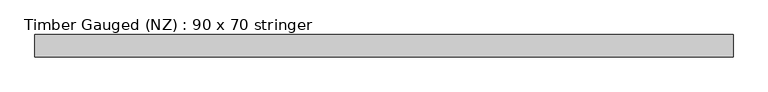
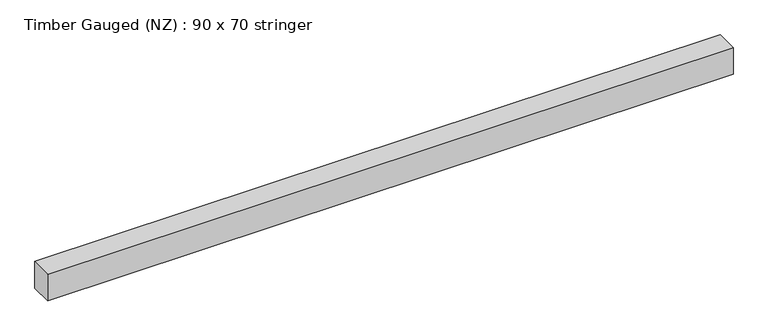
"""IFC4 building model written with IfcOpenShell, lengths in millimetres: beam geometry, Timber Gauged (NZ) : 90 x 70 stringer."""

import ifcopenshell
import ifcopenshell.guid

model = None  # the IFC model being written
_history = None  # IfcOwnerHistory: only IFC2X3 demands one
_inside = {}  # id of a spatial element -> (the spatial element, [elements in it])
_under = {}  # id of a project, library or spatial element -> (it, [spatial elements below it])
_declared = {}  # id of a project -> (the project, [libraries it declares])
_typed = {}  # id of a type object -> (the type object, [elements of that type])
_made_of = {}  # id of a material, layer set ... -> (it, [elements and type objects made of it])


def new_model(schema):
    """Start an empty IFC model of exactly this schema.

    Asked for "IFC4X3", IfcOpenShell would pick the latest addendum, in which some entities
    have other attributes; the version numbers below select the first issue.
    IFC2X3 requires an IfcOwnerHistory on every rooted entity: one is made here for all.
    """
    global model, _history
    if schema == "IFC4X3":
        model = ifcopenshell.file(schema_version=(4, 3, 0, 0))
    else:
        model = ifcopenshell.file(schema=schema)
    _inside.clear()
    _under.clear()
    _declared.clear()
    _typed.clear()
    _made_of.clear()
    _history = None
    if model.schema == "IFC2X3":
        org = make("IfcOrganization", Name="unknown")
        user = make(
            "IfcPersonAndOrganization",
            ThePerson=make("IfcPerson", FamilyName="unknown"),
            TheOrganization=org,
        )
        app = make(
            "IfcApplication",
            ApplicationDeveloper=org,
            Version="unknown",
            ApplicationFullName="unknown",
            ApplicationIdentifier="unknown",
        )
        _history = make(
            "IfcOwnerHistory",
            OwningUser=user,
            OwningApplication=app,
            ChangeAction="ADDED",
            CreationDate=0,
        )
    return model


def make(cls, **values):
    """One entity of the class cls with the attributes given. An attribute that is None is left unset."""
    return model.create_entity(
        cls, **{name: value for name, value in values.items() if value is not None}
    )


def rooted(cls, **values):
    """An entity with a GlobalId (a new one), such as an element, a storey or a relation."""
    return make(cls, GlobalId=ifcopenshell.guid.new(), OwnerHistory=_history, **values)


def si_unit(unit_type, name, prefix=None):
    """IfcSIUnit, for example si_unit("LENGTHUNIT", "METRE", prefix="MILLI")."""
    return make("IfcSIUnit", UnitType=unit_type, Prefix=prefix, Name=name)


def assignment(units):
    """IfcUnitAssignment: the units of a project."""
    return None if units is None else make("IfcUnitAssignment", Units=units)


def point(xyz):
    """IfcCartesianPoint."""
    return None if xyz is None else make("IfcCartesianPoint", Coordinates=xyz)


def direction(xyz):
    """IfcDirection."""
    return None if xyz is None else make("IfcDirection", DirectionRatios=xyz)


def frame(location, z_axis=None, x_axis=None):
    """IfcAxis2Placement3D, a coordinate frame: its origin and axes. An axis left out is left unset."""
    return make(
        "IfcAxis2Placement3D",
        Location=point(location),
        Axis=direction(z_axis),
        RefDirection=direction(x_axis),
    )


def origin():
    """The frame at (0, 0, 0) with its axes left unset."""
    return frame((0.0, 0.0, 0.0))


def place(relative_to, where):
    """IfcLocalPlacement: puts the frame where relative to a parent placement (None: the world)."""
    return make(
        "IfcLocalPlacement", PlacementRelTo=relative_to, RelativePlacement=where
    )


def context(
    kind, dimensions, precision=None, world=None, true_north=None, identifier=None
):
    """IfcGeometricRepresentationContext, for example the 3D "Model" context."""
    return make(
        "IfcGeometricRepresentationContext",
        ContextIdentifier=identifier,
        ContextType=kind,
        CoordinateSpaceDimension=dimensions,
        Precision=precision,
        WorldCoordinateSystem=world,
        TrueNorth=true_north,
    )


def project(units=None, contexts=None):
    """IfcProject with its units and contexts."""
    return rooted(
        "IfcProject",
        Name="project",
        RepresentationContexts=contexts,
        UnitsInContext=assignment(units),
    )


def spatial(cls, under=None, at=None, **own):
    """A site, building, storey or space (cls), placed at a placement, below another one or the project."""
    s = rooted(cls, ObjectPlacement=at, **own)
    if under is not None:
        _under.setdefault(under.id(), (under, []))[1].append(s)
    return s


def polyline(points):
    """IfcPolyline through the points."""
    return make("IfcPolyline", Points=[point(p) for p in points])


def outline(outer, holes=None, kind="AREA"):
    """IfcArbitraryClosedProfileDef: a profile drawn as a closed curve; with holes, ...WithVoids."""
    if holes is None:
        return make("IfcArbitraryClosedProfileDef", ProfileType=kind, OuterCurve=outer)
    return make(
        "IfcArbitraryProfileDefWithVoids",
        ProfileType=kind,
        OuterCurve=outer,
        InnerCurves=holes,
    )


def extrude(swept, where, along, depth):
    """IfcExtrudedAreaSolid: the profile swept, set in the frame where, extruded along a direction by depth."""
    return make(
        "IfcExtrudedAreaSolid",
        SweptArea=swept,
        Position=where,
        ExtrudedDirection=direction(along),
        Depth=depth,
    )


def shape(context_of_items, identifier, shape_type, items):
    """IfcShapeRepresentation: the items that make up one representation, for example the "Body"."""
    return make(
        "IfcShapeRepresentation",
        ContextOfItems=context_of_items,
        RepresentationIdentifier=identifier,
        RepresentationType=shape_type,
        Items=items,
    )


def source(mapping_origin, context_of_items, identifier, shape_type, items):
    """IfcRepresentationMap: a shape defined once, which mapped items show again and again."""
    return make(
        "IfcRepresentationMap",
        MappingOrigin=mapping_origin,
        MappedRepresentation=shape(context_of_items, identifier, shape_type, items),
    )


def transform(
    local_origin,
    x_axis=None,
    y_axis=None,
    z_axis=None,
    scale=None,
    scale2=None,
    scale3=None,
    uniform=True,
):
    """IfcCartesianTransformationOperator3D, or its non-uniform kind. x_axis, y_axis, z_axis: its Axis1, 2, 3."""
    if uniform:
        return make(
            "IfcCartesianTransformationOperator3D",
            Axis1=direction(x_axis),
            Axis2=direction(y_axis),
            LocalOrigin=point(local_origin),
            Scale=scale,
            Axis3=direction(z_axis),
        )
    return make(
        "IfcCartesianTransformationOperator3DnonUniform",
        Axis1=direction(x_axis),
        Axis2=direction(y_axis),
        LocalOrigin=point(local_origin),
        Scale=scale,
        Axis3=direction(z_axis),
        Scale2=scale2,
        Scale3=scale3,
    )


def mapped(mapping_source, mapping_target):
    """IfcMappedItem: shows the shape of a source again, moved by a transform."""
    return make(
        "IfcMappedItem", MappingSource=mapping_source, MappingTarget=mapping_target
    )


def made_of(thing, what):
    """Note that an element or type object is made of a material, layer set ...; save() writes the relation."""
    if what is not None:
        _made_of.setdefault(what.id(), (what, []))[1].append(thing)
    return thing


def element(
    cls,
    number,
    at=None,
    inside=None,
    cuts=None,
    type_object=None,
    material=None,
    context=None,
    identifier="Body",
    shape_type=None,
    held_by="IfcProductDefinitionShape",
    body=None,
    shapes=None,
    **own,
):
    """One element of the class cls, such as IfcWall. Its Tag is "e" and its number.

    at: its placement. inside: the storey or other place that contains it. cuts: it is an
    opening in that element (IfcRelVoidsElement). A single representation is given by context,
    identifier, shape_type and body (its items); several are given by shapes. held_by: the class
    of the entity that holds the representations. save() writes the other relations.
    """
    e = rooted(cls, Tag="e%d" % number, ObjectPlacement=at, **own)
    if body is not None:
        shapes = [shape(context, identifier, shape_type, body)]
    if shapes is not None:
        e.Representation = make(held_by, Representations=shapes)
    if inside is not None:
        _inside.setdefault(inside.id(), (inside, []))[1].append(e)
    if cuts is not None:
        rooted(
            "IfcRelVoidsElement", RelatingBuildingElement=cuts, RelatedOpeningElement=e
        )
    if type_object is not None:
        _typed.setdefault(type_object.id(), (type_object, []))[1].append(e)
    return made_of(e, material)


def aggregate(whole, parts):
    """IfcRelAggregates: a whole, such as a stair, and the parts it consists of."""
    return rooted("IfcRelAggregates", RelatingObject=whole, RelatedObjects=parts)


def save(model, path):
    """Write the relations noted so far, then the file.

    IfcRelAggregates (storeys below a building ...), IfcRelContainedInSpatialStructure (elements
    in a storey), IfcRelDefinesByType, IfcRelAssociatesMaterial and IfcRelDeclares: one each for
    every whole, place, type object, material and project.
    """
    for whole, parts in _under.values():
        aggregate(whole, parts)
    for where, things in _inside.values():
        rooted(
            "IfcRelContainedInSpatialStructure",
            RelatedElements=things,
            RelatingStructure=where,
        )
    for kind, things in _typed.values():
        rooted("IfcRelDefinesByType", RelatedObjects=things, RelatingType=kind)
    for what, things in _made_of.values():
        rooted("IfcRelAssociatesMaterial", RelatedObjects=things, RelatingMaterial=what)
    for by, libraries in _declared.values():
        rooted("IfcRelDeclares", RelatingContext=by, RelatedDefinitions=libraries)
    model.write(path)


def timber_gauged_nz_90_x_70_stringer_8138712e(model_context):
    return source(origin(), model_context, "Body", "SweptSolid", [
        extrude(outline(polyline([(1090.0, 35.0), (1090.0, -35.0), (-1090.0, -35.0), (-1090.0, 35.0), (1090.0, 35.0)])), frame((0.0, 0.0, -45.0), z_axis=(0.0, 0.0, 1.0), x_axis=(1.0, 0.0, 0.0)), (0.0, 0.0, 1.0), 90.0),
    ])


if __name__ == "__main__":
    model = new_model("IFC4")
    model_context = context("Model", 3, world=origin())
    ifc_project = project(units=[si_unit("LENGTHUNIT", "METRE", prefix="MILLI")], contexts=[model_context])
    site = spatial("IfcSite", under=ifc_project)
    building = spatial("IfcBuilding", under=site)
    placement = place(None, origin())
    timber_gauged_nz_90_x_70_stringer_shape = timber_gauged_nz_90_x_70_stringer_8138712e(model_context)
    element("IfcBeam", 1, ObjectType="Timber Gauged (NZ) : 90 x 70 stringer", at=placement, inside=building, context=model_context, shape_type="MappedRepresentation", body=[
        mapped(timber_gauged_nz_90_x_70_stringer_shape, transform((0.0, 0.0, 0.0), x_axis=(1.0, 0.0, 0.0), y_axis=(0.0, 1.0, 0.0), z_axis=(0.0, 0.0, 1.0))),
    ])
    save(model, "model.ifc")
